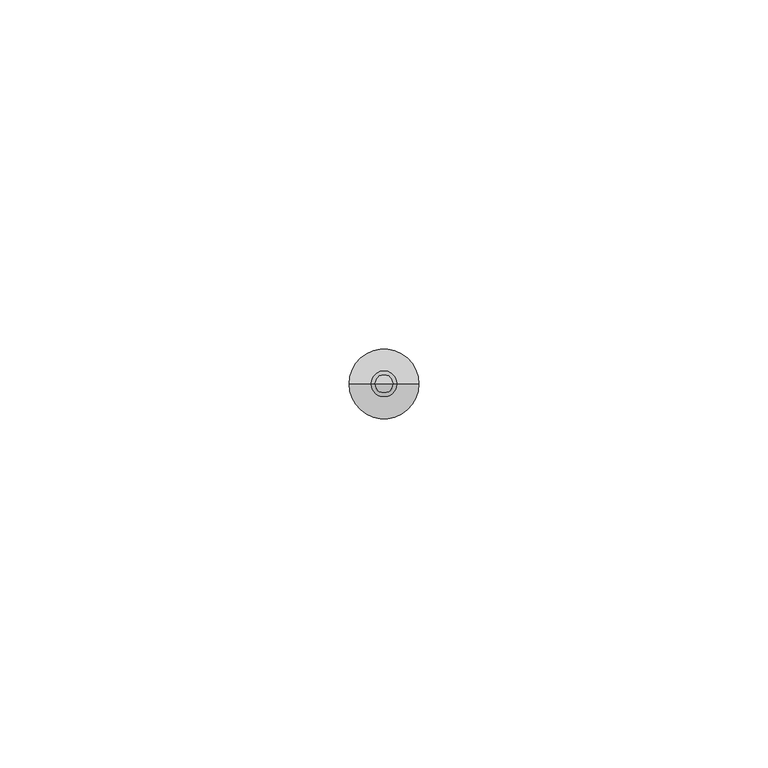
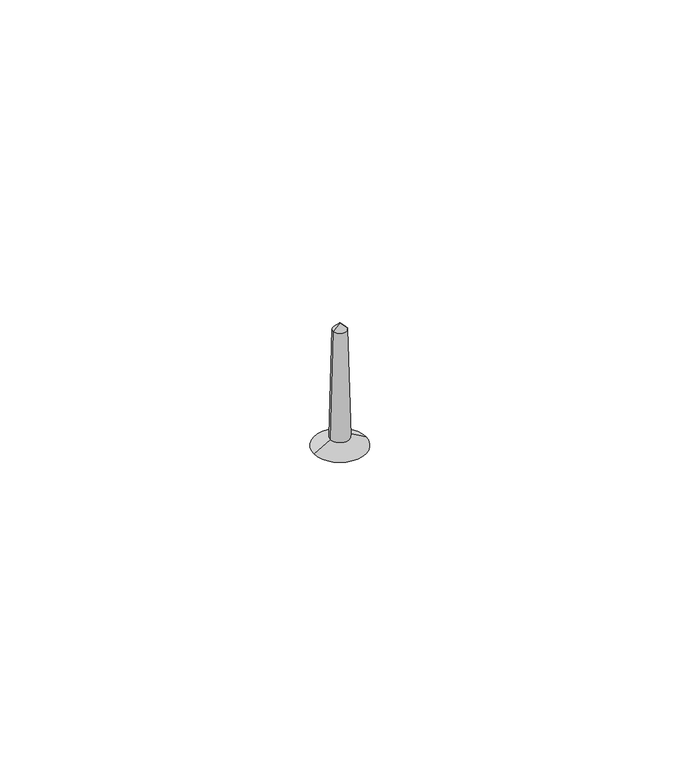
"""IFC4 building model written with IfcOpenShell, lengths in millimetres: proxy geometry."""

from ifc_helpers import new_model, si_unit, frame, origin, origin_with_axes, place, context, project, spatial, polyline, circle_curve, source, transform, mapped, element, save
from ifc_brep_helpers import plane_surface, revolved_surface, advanced_brep


def generic_models_9a0dee0d(model_context):
    return source(origin(), model_context, "Body", "AdvancedBrep", [
        advanced_brep(
        [(-1.865608, 0.0, 1.809642), (1.865608, 0.0, 1.809642), (5.0, 0.0, 0.0), (-5.0, 0.0, 0.0), (-1.3053271, 0.0, 23.6594235), (1.3053271, 0.0, 23.6594235), (0.0, 0.0, 25.0), (0.0, 0.0, 0.0)],
        [
            (0, 1, circle_curve(frame((0.0, 0.0, 1.809642), z_axis=(0.0, 0.0, -1.0), x_axis=(1.0, 0.0, 0.0)), 1.865608)),
            (1, 2),
            (2, 3, circle_curve(origin_with_axes(), 5.0)),
            (3, 0),
            (1, 0, circle_curve(frame((0.0, 0.0, 1.809642), z_axis=(0.0, 0.0, -1.0), x_axis=(1.0, 0.0, 0.0)), 1.865608)),
            (3, 2, circle_curve(origin_with_axes(), 5.0)),
            (4, 5, circle_curve(frame((0.0, 0.0, 23.6594235), z_axis=(0.0, 0.0, -1.0), x_axis=(1.0, 0.0, 0.0)), 1.3053271)),
            (5, 1),
            (0, 4),
            (5, 4, circle_curve(frame((0.0, 0.0, 23.6594235), z_axis=(0.0, 0.0, -1.0), x_axis=(1.0, 0.0, 0.0)), 1.3053271)),
            (6, 5),
            (4, 6),
            (2, 7),
            (7, 3),
        ],
        [
            revolved_surface(polyline([(5.0, 0.0, 0.0), (1.865608, 0.0, 1.809642)]), (0.0, 0.0, 1000.0), (0.0, 0.0, 1.0)),
            revolved_surface(polyline([(1.865608, 0.0, 1.809642), (1.3053271, 0.0, 23.6594235)]), (0.0, 0.0, 1000.0), (0.0, 0.0, 1.0)),
            revolved_surface(polyline([(1.3053271, 0.0, 23.6594235), (0.0, 0.0, 25.0)]), (0.0, 0.0, 1000.0), (0.0, 0.0, 1.0)),
            plane_surface(frame((0.0, 0.0, 0.0), z_axis=(0.0, 0.0, -1.0), x_axis=(1.0, 0.0, 0.0))),
        ],
        [
            (0, [[1, 2, 3, 4]]),
            (0, [[5, -4, 6, -2]]),
            (1, [[7, 8, -1, 9]]),
            (1, [[10, -9, -5, -8]]),
            (2, [[11, -7, 12]]),
            (2, [[-12, -10, -11]]),
            (3, [[-3, 13, 14]]),
            (3, [[-6, -14, -13]]),
        ],
    ),
    ])


if __name__ == "__main__":
    model = new_model("IFC4")
    model_context = context("Model", 3, world=origin())
    ifc_project = project(units=[si_unit("LENGTHUNIT", "METRE", prefix="MILLI")], contexts=[model_context])
    site = spatial("IfcSite", under=ifc_project)
    building = spatial("IfcBuilding", under=site)
    placement = place(None, origin())
    generic_models_shape = generic_models_9a0dee0d(model_context)
    element("IfcBuildingElementProxy", 1, Name="Generic Models", at=placement, inside=building, context=model_context, shape_type="MappedRepresentation", body=[
        mapped(generic_models_shape, transform((0.0, 0.0, 0.0), x_axis=(1.0, 0.0, 0.0), y_axis=(0.0, 1.0, 0.0), z_axis=(0.0, 0.0, 1.0))),
    ])
    save(model, "model.ifc")
